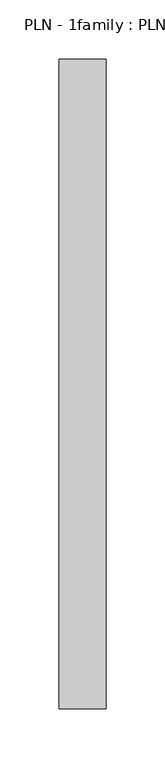
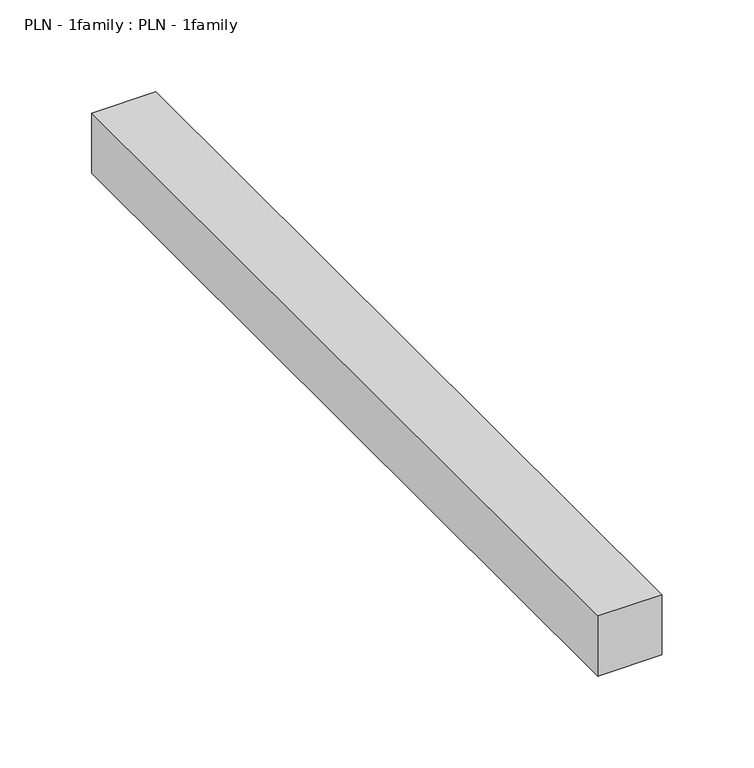
"""IFC4 building model written with IfcOpenShell, lengths in millimetres: proxy geometry, PLN - 1family : PLN - 1family."""

import ifcopenshell
import ifcopenshell.guid

model = None  # the IFC model being written
_history = None  # IfcOwnerHistory: only IFC2X3 demands one
_inside = {}  # id of a spatial element -> (the spatial element, [elements in it])
_under = {}  # id of a project, library or spatial element -> (it, [spatial elements below it])
_declared = {}  # id of a project -> (the project, [libraries it declares])
_typed = {}  # id of a type object -> (the type object, [elements of that type])
_made_of = {}  # id of a material, layer set ... -> (it, [elements and type objects made of it])


def new_model(schema):
    """Start an empty IFC model of exactly this schema.

    Asked for "IFC4X3", IfcOpenShell would pick the latest addendum, in which some entities
    have other attributes; the version numbers below select the first issue.
    IFC2X3 requires an IfcOwnerHistory on every rooted entity: one is made here for all.
    """
    global model, _history
    if schema == "IFC4X3":
        model = ifcopenshell.file(schema_version=(4, 3, 0, 0))
    else:
        model = ifcopenshell.file(schema=schema)
    _inside.clear()
    _under.clear()
    _declared.clear()
    _typed.clear()
    _made_of.clear()
    _history = None
    if model.schema == "IFC2X3":
        org = make("IfcOrganization", Name="unknown")
        user = make(
            "IfcPersonAndOrganization",
            ThePerson=make("IfcPerson", FamilyName="unknown"),
            TheOrganization=org,
        )
        app = make(
            "IfcApplication",
            ApplicationDeveloper=org,
            Version="unknown",
            ApplicationFullName="unknown",
            ApplicationIdentifier="unknown",
        )
        _history = make(
            "IfcOwnerHistory",
            OwningUser=user,
            OwningApplication=app,
            ChangeAction="ADDED",
            CreationDate=0,
        )
    return model


def make(cls, **values):
    """One entity of the class cls with the attributes given. An attribute that is None is left unset."""
    return model.create_entity(
        cls, **{name: value for name, value in values.items() if value is not None}
    )


def rooted(cls, **values):
    """An entity with a GlobalId (a new one), such as an element, a storey or a relation."""
    return make(cls, GlobalId=ifcopenshell.guid.new(), OwnerHistory=_history, **values)


def si_unit(unit_type, name, prefix=None):
    """IfcSIUnit, for example si_unit("LENGTHUNIT", "METRE", prefix="MILLI")."""
    return make("IfcSIUnit", UnitType=unit_type, Prefix=prefix, Name=name)


def assignment(units):
    """IfcUnitAssignment: the units of a project."""
    return None if units is None else make("IfcUnitAssignment", Units=units)


def point(xyz):
    """IfcCartesianPoint."""
    return None if xyz is None else make("IfcCartesianPoint", Coordinates=xyz)


def direction(xyz):
    """IfcDirection."""
    return None if xyz is None else make("IfcDirection", DirectionRatios=xyz)


def frame(location, z_axis=None, x_axis=None):
    """IfcAxis2Placement3D, a coordinate frame: its origin and axes. An axis left out is left unset."""
    return make(
        "IfcAxis2Placement3D",
        Location=point(location),
        Axis=direction(z_axis),
        RefDirection=direction(x_axis),
    )


def origin():
    """The frame at (0, 0, 0) with its axes left unset."""
    return frame((0.0, 0.0, 0.0))


def place(relative_to, where):
    """IfcLocalPlacement: puts the frame where relative to a parent placement (None: the world)."""
    return make(
        "IfcLocalPlacement", PlacementRelTo=relative_to, RelativePlacement=where
    )


def context(
    kind, dimensions, precision=None, world=None, true_north=None, identifier=None
):
    """IfcGeometricRepresentationContext, for example the 3D "Model" context."""
    return make(
        "IfcGeometricRepresentationContext",
        ContextIdentifier=identifier,
        ContextType=kind,
        CoordinateSpaceDimension=dimensions,
        Precision=precision,
        WorldCoordinateSystem=world,
        TrueNorth=true_north,
    )


def project(units=None, contexts=None):
    """IfcProject with its units and contexts."""
    return rooted(
        "IfcProject",
        Name="project",
        RepresentationContexts=contexts,
        UnitsInContext=assignment(units),
    )


def spatial(cls, under=None, at=None, **own):
    """A site, building, storey or space (cls), placed at a placement, below another one or the project."""
    s = rooted(cls, ObjectPlacement=at, **own)
    if under is not None:
        _under.setdefault(under.id(), (under, []))[1].append(s)
    return s


def polyline(points):
    """IfcPolyline through the points."""
    return make("IfcPolyline", Points=[point(p) for p in points])


def outline(outer, holes=None, kind="AREA"):
    """IfcArbitraryClosedProfileDef: a profile drawn as a closed curve; with holes, ...WithVoids."""
    if holes is None:
        return make("IfcArbitraryClosedProfileDef", ProfileType=kind, OuterCurve=outer)
    return make(
        "IfcArbitraryProfileDefWithVoids",
        ProfileType=kind,
        OuterCurve=outer,
        InnerCurves=holes,
    )


def extrude(swept, where, along, depth):
    """IfcExtrudedAreaSolid: the profile swept, set in the frame where, extruded along a direction by depth."""
    return make(
        "IfcExtrudedAreaSolid",
        SweptArea=swept,
        Position=where,
        ExtrudedDirection=direction(along),
        Depth=depth,
    )


def shape(context_of_items, identifier, shape_type, items):
    """IfcShapeRepresentation: the items that make up one representation, for example the "Body"."""
    return make(
        "IfcShapeRepresentation",
        ContextOfItems=context_of_items,
        RepresentationIdentifier=identifier,
        RepresentationType=shape_type,
        Items=items,
    )


def source(mapping_origin, context_of_items, identifier, shape_type, items):
    """IfcRepresentationMap: a shape defined once, which mapped items show again and again."""
    return make(
        "IfcRepresentationMap",
        MappingOrigin=mapping_origin,
        MappedRepresentation=shape(context_of_items, identifier, shape_type, items),
    )


def transform(
    local_origin,
    x_axis=None,
    y_axis=None,
    z_axis=None,
    scale=None,
    scale2=None,
    scale3=None,
    uniform=True,
):
    """IfcCartesianTransformationOperator3D, or its non-uniform kind. x_axis, y_axis, z_axis: its Axis1, 2, 3."""
    if uniform:
        return make(
            "IfcCartesianTransformationOperator3D",
            Axis1=direction(x_axis),
            Axis2=direction(y_axis),
            LocalOrigin=point(local_origin),
            Scale=scale,
            Axis3=direction(z_axis),
        )
    return make(
        "IfcCartesianTransformationOperator3DnonUniform",
        Axis1=direction(x_axis),
        Axis2=direction(y_axis),
        LocalOrigin=point(local_origin),
        Scale=scale,
        Axis3=direction(z_axis),
        Scale2=scale2,
        Scale3=scale3,
    )


def mapped(mapping_source, mapping_target):
    """IfcMappedItem: shows the shape of a source again, moved by a transform."""
    return make(
        "IfcMappedItem", MappingSource=mapping_source, MappingTarget=mapping_target
    )


def made_of(thing, what):
    """Note that an element or type object is made of a material, layer set ...; save() writes the relation."""
    if what is not None:
        _made_of.setdefault(what.id(), (what, []))[1].append(thing)
    return thing


def element(
    cls,
    number,
    at=None,
    inside=None,
    cuts=None,
    type_object=None,
    material=None,
    context=None,
    identifier="Body",
    shape_type=None,
    held_by="IfcProductDefinitionShape",
    body=None,
    shapes=None,
    **own,
):
    """One element of the class cls, such as IfcWall. Its Tag is "e" and its number.

    at: its placement. inside: the storey or other place that contains it. cuts: it is an
    opening in that element (IfcRelVoidsElement). A single representation is given by context,
    identifier, shape_type and body (its items); several are given by shapes. held_by: the class
    of the entity that holds the representations. save() writes the other relations.
    """
    e = rooted(cls, Tag="e%d" % number, ObjectPlacement=at, **own)
    if body is not None:
        shapes = [shape(context, identifier, shape_type, body)]
    if shapes is not None:
        e.Representation = make(held_by, Representations=shapes)
    if inside is not None:
        _inside.setdefault(inside.id(), (inside, []))[1].append(e)
    if cuts is not None:
        rooted(
            "IfcRelVoidsElement", RelatingBuildingElement=cuts, RelatedOpeningElement=e
        )
    if type_object is not None:
        _typed.setdefault(type_object.id(), (type_object, []))[1].append(e)
    return made_of(e, material)


def aggregate(whole, parts):
    """IfcRelAggregates: a whole, such as a stair, and the parts it consists of."""
    return rooted("IfcRelAggregates", RelatingObject=whole, RelatedObjects=parts)


def save(model, path):
    """Write the relations noted so far, then the file.

    IfcRelAggregates (storeys below a building ...), IfcRelContainedInSpatialStructure (elements
    in a storey), IfcRelDefinesByType, IfcRelAssociatesMaterial and IfcRelDeclares: one each for
    every whole, place, type object, material and project.
    """
    for whole, parts in _under.values():
        aggregate(whole, parts)
    for where, things in _inside.values():
        rooted(
            "IfcRelContainedInSpatialStructure",
            RelatedElements=things,
            RelatingStructure=where,
        )
    for kind, things in _typed.values():
        rooted("IfcRelDefinesByType", RelatedObjects=things, RelatingType=kind)
    for what, things in _made_of.values():
        rooted("IfcRelAssociatesMaterial", RelatedObjects=things, RelatingMaterial=what)
    for by, libraries in _declared.values():
        rooted("IfcRelDeclares", RelatingContext=by, RelatedDefinitions=libraries)
    model.write(path)


def pln_1family_pln_1family_5641a602(model_context):
    return source(origin(), model_context, "Body", "SweptSolid", [
        extrude(outline(polyline([(0.0, 550.0), (40.0, 550.0), (40.0, 0.0), (0.0, 0.0), (0.0, 550.0)])), frame((0.0, 0.0, 250.0), z_axis=(0.0, 0.0, 1.0), x_axis=(1.0, 0.0, 0.0)), (0.0, 0.0, 1.0), 40.0),
    ])


if __name__ == "__main__":
    model = new_model("IFC4")
    model_context = context("Model", 3, world=origin())
    ifc_project = project(units=[si_unit("LENGTHUNIT", "METRE", prefix="MILLI")], contexts=[model_context])
    site = spatial("IfcSite", under=ifc_project)
    building = spatial("IfcBuilding", under=site)
    placement = place(None, origin())
    pln_1family_pln_1family_shape = pln_1family_pln_1family_5641a602(model_context)
    element("IfcBuildingElementProxy", 1, Name="PLN - 1family : PLN - 1family", ObjectType="PLN - 1family : PLN - 1family", at=placement, inside=building, context=model_context, shape_type="MappedRepresentation", body=[
        mapped(pln_1family_pln_1family_shape, transform((0.0, 0.0, 0.0), x_axis=(1.0, 0.0, 0.0), y_axis=(0.0, 1.0, 0.0), z_axis=(0.0, 0.0, 1.0))),
    ])
    save(model, "model.ifc")
